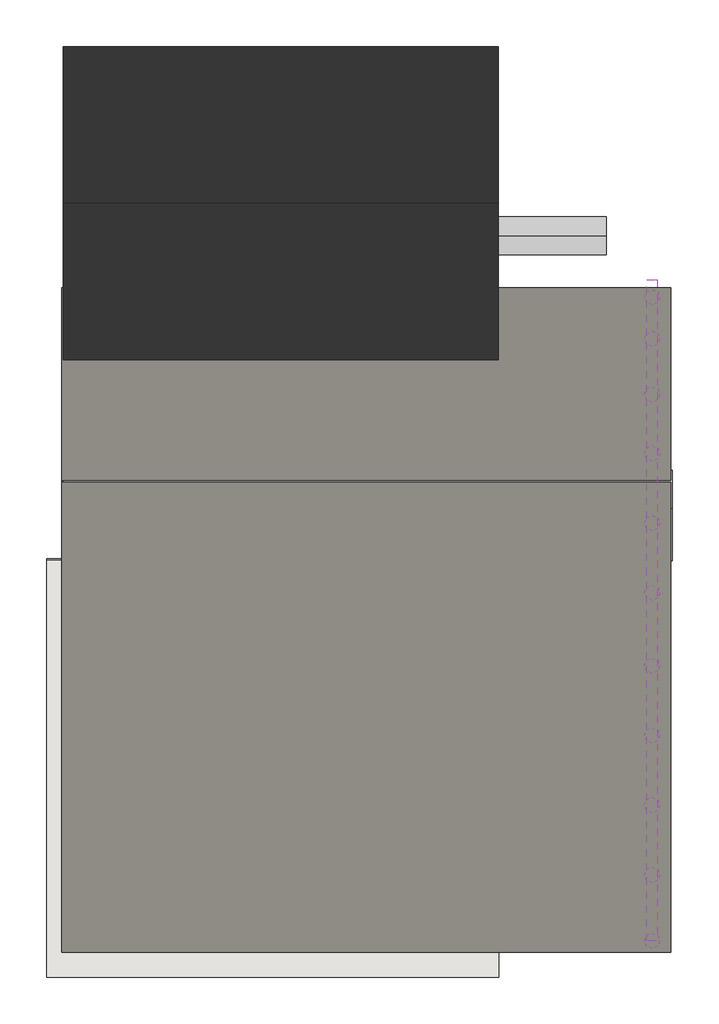
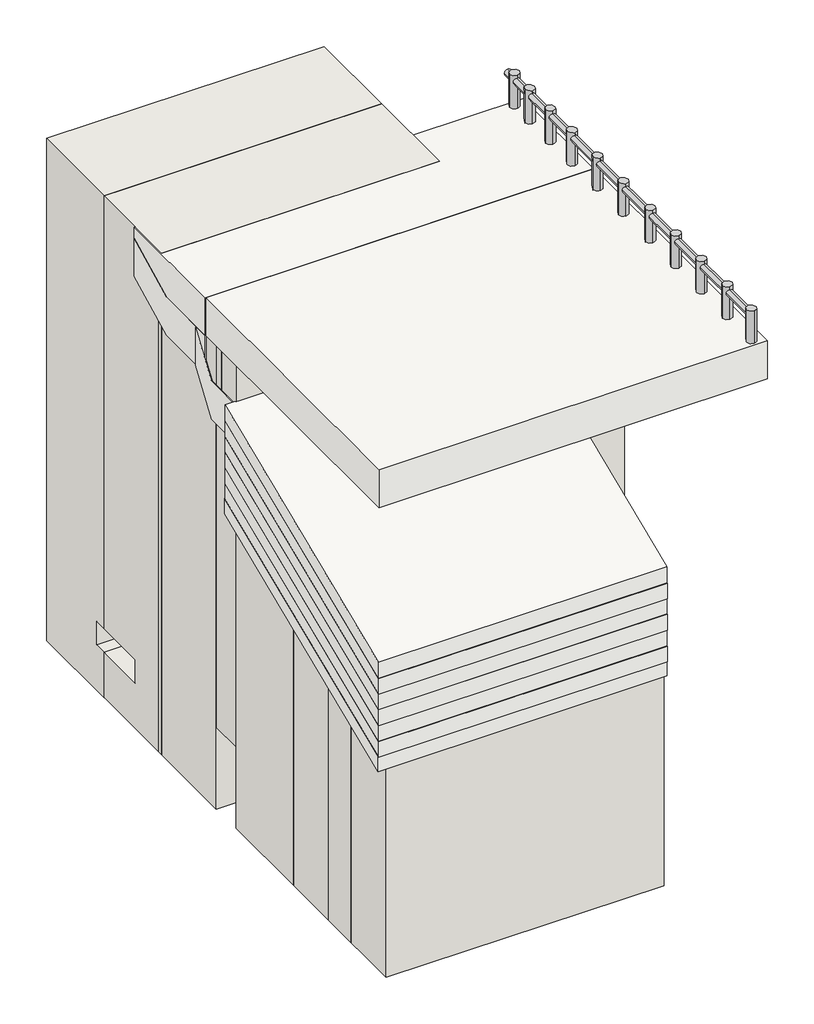
# One storey: 13 pipe segments, 11 slabs, 8 walls.
"""IFC4 building model written with IfcOpenShell, lengths in millimetres."""

from ifc_helpers import new_model, si_unit, point, frame, frame_2d, origin, place, context, project, spatial, polyline, circle_curve, trimmed, segment, composite_curve, outline, extrude, faceted_brep, element, save

model = new_model("IFC4")

# Units and contexts
model_context = context("Model", 3, world=origin())
ifc_project = project(units=[si_unit("LENGTHUNIT", "METRE", prefix="MILLI")], contexts=[model_context])

# Site, building, storey
site = spatial("IfcSite", under=ifc_project)
building = spatial("IfcBuilding", under=site)
storey = spatial("IfcBuildingStorey", under=building, Elevation=0.0)

# Pipe segments
placement = place(None, origin())
element("IfcPipeSegment", 1, at=placement, inside=storey, context=model_context, shape_type="SweptSolid", body=[
    extrude(outline(composite_curve([segment(trimmed(circle_curve(frame_2d((-19522.0548131, 2964.4536049)), 44.45), [point((-19566.5048131, 2964.4536049))], [point((-19522.0548131, 3008.9036049))], False, "CARTESIAN"), True, "CONTINUOUS"), segment(trimmed(circle_curve(frame_2d((-19522.0548131, 2964.4536049)), 44.45), [point((-19522.0548131, 3008.9036049))], [point((-19477.6048131, 2964.4536049))], False, "CARTESIAN"), True, "CONTINUOUS"), segment(trimmed(circle_curve(frame_2d((-19522.0548131, 2964.4536049)), 44.45), [point((-19477.6048131, 2964.4536049))], [point((-19522.0548131, 2920.0036049))], False, "CARTESIAN"), True, "CONTINUOUS"), segment(trimmed(circle_curve(frame_2d((-19522.0548131, 2964.4536049)), 44.45), [point((-19522.0548131, 2920.0036049))], [point((-19566.5048131, 2964.4536049))], False, "CARTESIAN"), True, "CONTINUOUS")], self_intersect=False)), frame((0.0, 0.0, 1296.4609408), z_axis=(0.0, 0.0, 1.0), x_axis=(1.0, 0.0, 0.0)), (0.0, 0.0, 1.0), 320.0),
])
element("IfcPipeSegment", 2, at=placement, inside=storey, context=model_context, shape_type="SweptSolid", body=[
    extrude(outline(composite_curve([segment(trimmed(circle_curve(frame_2d((-19522.0548131, 2725.2215916)), 44.45), [point((-19566.5048131, 2725.2215916))], [point((-19522.0548131, 2769.6715916))], False, "CARTESIAN"), True, "CONTINUOUS"), segment(trimmed(circle_curve(frame_2d((-19522.0548131, 2725.2215916)), 44.45), [point((-19522.0548131, 2769.6715916))], [point((-19477.6048131, 2725.2215916))], False, "CARTESIAN"), True, "CONTINUOUS"), segment(trimmed(circle_curve(frame_2d((-19522.0548131, 2725.2215916)), 44.45), [point((-19477.6048131, 2725.2215916))], [point((-19522.0548131, 2680.7715916))], False, "CARTESIAN"), True, "CONTINUOUS"), segment(trimmed(circle_curve(frame_2d((-19522.0548131, 2725.2215916)), 44.45), [point((-19522.0548131, 2680.7715916))], [point((-19566.5048131, 2725.2215916))], False, "CARTESIAN"), True, "CONTINUOUS")], self_intersect=False)), frame((0.0, 0.0, 1296.4609408), z_axis=(0.0, 0.0, 1.0), x_axis=(1.0, 0.0, 0.0)), (0.0, 0.0, 1.0), 320.0),
])
element("IfcPipeSegment", 3, at=placement, inside=storey, context=model_context, shape_type="SweptSolid", body=[
    extrude(outline(composite_curve([segment(trimmed(circle_curve(frame_2d((-19522.0548131, 2405.2215916)), 44.45), [point((-19566.5048131, 2405.2215916))], [point((-19522.0548131, 2449.6715916))], False, "CARTESIAN"), True, "CONTINUOUS"), segment(trimmed(circle_curve(frame_2d((-19522.0548131, 2405.2215916)), 44.45), [point((-19522.0548131, 2449.6715916))], [point((-19477.6048131, 2405.2215916))], False, "CARTESIAN"), True, "CONTINUOUS"), segment(trimmed(circle_curve(frame_2d((-19522.0548131, 2405.2215916)), 44.45), [point((-19477.6048131, 2405.2215916))], [point((-19522.0548131, 2360.7715916))], False, "CARTESIAN"), True, "CONTINUOUS"), segment(trimmed(circle_curve(frame_2d((-19522.0548131, 2405.2215916)), 44.45), [point((-19522.0548131, 2360.7715916))], [point((-19566.5048131, 2405.2215916))], False, "CARTESIAN"), True, "CONTINUOUS")], self_intersect=False)), frame((0.0, 0.0, 1296.4609408), z_axis=(0.0, 0.0, 1.0), x_axis=(1.0, 0.0, 0.0)), (0.0, 0.0, 1.0), 320.0),
])
element("IfcPipeSegment", 4, at=placement, inside=storey, context=model_context, shape_type="SweptSolid", body=[
    extrude(outline(composite_curve([segment(trimmed(circle_curve(frame_2d((-19522.0548131, 2065.2215916)), 44.45), [point((-19566.5048131, 2065.2215916))], [point((-19522.0548131, 2109.6715916))], False, "CARTESIAN"), True, "CONTINUOUS"), segment(trimmed(circle_curve(frame_2d((-19522.0548131, 2065.2215916)), 44.45), [point((-19522.0548131, 2109.6715916))], [point((-19477.6048131, 2065.2215916))], False, "CARTESIAN"), True, "CONTINUOUS"), segment(trimmed(circle_curve(frame_2d((-19522.0548131, 2065.2215916)), 44.45), [point((-19477.6048131, 2065.2215916))], [point((-19522.0548131, 2020.7715916))], False, "CARTESIAN"), True, "CONTINUOUS"), segment(trimmed(circle_curve(frame_2d((-19522.0548131, 2065.2215916)), 44.45), [point((-19522.0548131, 2020.7715916))], [point((-19566.5048131, 2065.2215916))], False, "CARTESIAN"), True, "CONTINUOUS")], self_intersect=False)), frame((0.0, 0.0, 1296.4609408), z_axis=(0.0, 0.0, 1.0), x_axis=(1.0, 0.0, 0.0)), (0.0, 0.0, 1.0), 320.0),
])
element("IfcPipeSegment", 5, at=placement, inside=storey, context=model_context, shape_type="SweptSolid", body=[
    extrude(outline(composite_curve([segment(trimmed(circle_curve(frame_2d((-19522.0548131, 1665.2215916)), 44.45), [point((-19566.5048131, 1665.2215916))], [point((-19522.0548131, 1709.6715916))], False, "CARTESIAN"), True, "CONTINUOUS"), segment(trimmed(circle_curve(frame_2d((-19522.0548131, 1665.2215916)), 44.45), [point((-19522.0548131, 1709.6715916))], [point((-19477.6048131, 1665.2215916))], False, "CARTESIAN"), True, "CONTINUOUS"), segment(trimmed(circle_curve(frame_2d((-19522.0548131, 1665.2215916)), 44.45), [point((-19477.6048131, 1665.2215916))], [point((-19522.0548131, 1620.7715916))], False, "CARTESIAN"), True, "CONTINUOUS"), segment(trimmed(circle_curve(frame_2d((-19522.0548131, 1665.2215916)), 44.45), [point((-19522.0548131, 1620.7715916))], [point((-19566.5048131, 1665.2215916))], False, "CARTESIAN"), True, "CONTINUOUS")], self_intersect=False)), frame((0.0, 0.0, 1296.4609408), z_axis=(0.0, 0.0, 1.0), x_axis=(1.0, 0.0, 0.0)), (0.0, 0.0, 1.0), 320.0),
])
element("IfcPipeSegment", 6, at=placement, inside=storey, context=model_context, shape_type="SweptSolid", body=[
    extrude(outline(composite_curve([segment(trimmed(circle_curve(frame_2d((-19522.0548131, 1265.2215916)), 44.45), [point((-19566.5048131, 1265.2215916))], [point((-19522.0548131, 1309.6715916))], False, "CARTESIAN"), True, "CONTINUOUS"), segment(trimmed(circle_curve(frame_2d((-19522.0548131, 1265.2215916)), 44.45), [point((-19522.0548131, 1309.6715916))], [point((-19477.6048131, 1265.2215916))], False, "CARTESIAN"), True, "CONTINUOUS"), segment(trimmed(circle_curve(frame_2d((-19522.0548131, 1265.2215916)), 44.45), [point((-19477.6048131, 1265.2215916))], [point((-19522.0548131, 1220.7715916))], False, "CARTESIAN"), True, "CONTINUOUS"), segment(trimmed(circle_curve(frame_2d((-19522.0548131, 1265.2215916)), 44.45), [point((-19522.0548131, 1220.7715916))], [point((-19566.5048131, 1265.2215916))], False, "CARTESIAN"), True, "CONTINUOUS")], self_intersect=False)), frame((0.0, 0.0, 1296.4609408), z_axis=(0.0, 0.0, 1.0), x_axis=(1.0, 0.0, 0.0)), (0.0, 0.0, 1.0), 320.0),
])
element("IfcPipeSegment", 7, at=placement, inside=storey, context=model_context, shape_type="SweptSolid", body=[
    extrude(outline(composite_curve([segment(trimmed(circle_curve(frame_2d((-19522.0548131, 845.2215916)), 44.45), [point((-19566.5048131, 845.2215916))], [point((-19522.0548131, 889.6715916))], False, "CARTESIAN"), True, "CONTINUOUS"), segment(trimmed(circle_curve(frame_2d((-19522.0548131, 845.2215916)), 44.45), [point((-19522.0548131, 889.6715916))], [point((-19477.6048131, 845.2215916))], False, "CARTESIAN"), True, "CONTINUOUS"), segment(trimmed(circle_curve(frame_2d((-19522.0548131, 845.2215916)), 44.45), [point((-19477.6048131, 845.2215916))], [point((-19522.0548131, 800.7715916))], False, "CARTESIAN"), True, "CONTINUOUS"), segment(trimmed(circle_curve(frame_2d((-19522.0548131, 845.2215916)), 44.45), [point((-19522.0548131, 800.7715916))], [point((-19566.5048131, 845.2215916))], False, "CARTESIAN"), True, "CONTINUOUS")], self_intersect=False)), frame((0.0, 0.0, 1296.4609408), z_axis=(0.0, 0.0, 1.0), x_axis=(1.0, 0.0, 0.0)), (0.0, 0.0, 1.0), 320.0),
])
element("IfcPipeSegment", 8, at=placement, inside=storey, context=model_context, shape_type="SweptSolid", body=[
    extrude(outline(composite_curve([segment(trimmed(circle_curve(frame_2d((-19522.0548131, 445.2215916)), 44.45), [point((-19566.5048131, 445.2215916))], [point((-19522.0548131, 489.6715916))], False, "CARTESIAN"), True, "CONTINUOUS"), segment(trimmed(circle_curve(frame_2d((-19522.0548131, 445.2215916)), 44.45), [point((-19522.0548131, 489.6715916))], [point((-19477.6048131, 445.2215916))], False, "CARTESIAN"), True, "CONTINUOUS"), segment(trimmed(circle_curve(frame_2d((-19522.0548131, 445.2215916)), 44.45), [point((-19477.6048131, 445.2215916))], [point((-19522.0548131, 400.7715916))], False, "CARTESIAN"), True, "CONTINUOUS"), segment(trimmed(circle_curve(frame_2d((-19522.0548131, 445.2215916)), 44.45), [point((-19522.0548131, 400.7715916))], [point((-19566.5048131, 445.2215916))], False, "CARTESIAN"), True, "CONTINUOUS")], self_intersect=False)), frame((0.0, 0.0, 1296.4609408), z_axis=(0.0, 0.0, 1.0), x_axis=(1.0, 0.0, 0.0)), (0.0, 0.0, 1.0), 320.0),
])
element("IfcPipeSegment", 9, at=placement, inside=storey, context=model_context, shape_type="SweptSolid", body=[
    extrude(outline(composite_curve([segment(trimmed(circle_curve(frame_2d((-19522.0548131, 45.2215916)), 44.45), [point((-19566.5048131, 45.2215916))], [point((-19522.0548131, 89.6715916))], False, "CARTESIAN"), True, "CONTINUOUS"), segment(trimmed(circle_curve(frame_2d((-19522.0548131, 45.2215916)), 44.45), [point((-19522.0548131, 89.6715916))], [point((-19477.6048131, 45.2215916))], False, "CARTESIAN"), True, "CONTINUOUS"), segment(trimmed(circle_curve(frame_2d((-19522.0548131, 45.2215916)), 44.45), [point((-19477.6048131, 45.2215916))], [point((-19522.0548131, 0.7715916))], False, "CARTESIAN"), True, "CONTINUOUS"), segment(trimmed(circle_curve(frame_2d((-19522.0548131, 45.2215916)), 44.45), [point((-19522.0548131, 0.7715916))], [point((-19566.5048131, 45.2215916))], False, "CARTESIAN"), True, "CONTINUOUS")], self_intersect=False)), frame((0.0, 0.0, 1296.4609408), z_axis=(0.0, 0.0, 1.0), x_axis=(1.0, 0.0, 0.0)), (0.0, 0.0, 1.0), 320.0),
])
element("IfcPipeSegment", 10, at=placement, inside=storey, context=model_context, shape_type="SweptSolid", body=[
    extrude(outline(composite_curve([segment(trimmed(circle_curve(frame_2d((-19522.0548131, -356.5137845)), 44.45), [point((-19566.5048131, -356.5137845))], [point((-19522.0548131, -312.0637845))], False, "CARTESIAN"), True, "CONTINUOUS"), segment(trimmed(circle_curve(frame_2d((-19522.0548131, -356.5137845)), 44.45), [point((-19522.0548131, -312.0637845))], [point((-19477.6048131, -356.5137845))], False, "CARTESIAN"), True, "CONTINUOUS"), segment(trimmed(circle_curve(frame_2d((-19522.0548131, -356.5137845)), 44.45), [point((-19477.6048131, -356.5137845))], [point((-19522.0548131, -400.9637845))], False, "CARTESIAN"), True, "CONTINUOUS"), segment(trimmed(circle_curve(frame_2d((-19522.0548131, -356.5137845)), 44.45), [point((-19522.0548131, -400.9637845))], [point((-19566.5048131, -356.5137845))], False, "CARTESIAN"), True, "CONTINUOUS")], self_intersect=False)), frame((0.0, 0.0, 1296.4609408), z_axis=(0.0, 0.0, 1.0), x_axis=(1.0, 0.0, 0.0)), (0.0, 0.0, 1.0), 320.0),
])
element("IfcPipeSegment", 11, at=placement, inside=storey, context=model_context, shape_type="SweptSolid", body=[
    extrude(outline(composite_curve([segment(trimmed(circle_curve(frame_2d((-19522.0548131, -734.7784084)), 44.45), [point((-19566.5048131, -734.7784084))], [point((-19522.0548131, -690.3284084))], False, "CARTESIAN"), True, "CONTINUOUS"), segment(trimmed(circle_curve(frame_2d((-19522.0548131, -734.7784084)), 44.45), [point((-19522.0548131, -690.3284084))], [point((-19477.6048131, -734.7784084))], False, "CARTESIAN"), True, "CONTINUOUS"), segment(trimmed(circle_curve(frame_2d((-19522.0548131, -734.7784084)), 44.45), [point((-19477.6048131, -734.7784084))], [point((-19522.0548131, -779.2284084))], False, "CARTESIAN"), True, "CONTINUOUS"), segment(trimmed(circle_curve(frame_2d((-19522.0548131, -734.7784084)), 44.45), [point((-19522.0548131, -779.2284084))], [point((-19566.5048131, -734.7784084))], False, "CARTESIAN"), True, "CONTINUOUS")], self_intersect=False)), frame((0.0, 0.0, 1296.4609408), z_axis=(0.0, 0.0, 1.0), x_axis=(1.0, 0.0, 0.0)), (0.0, 0.0, 1.0), 320.0),
])
element("IfcPipeSegment", 12, at=placement, inside=storey, context=model_context, shape_type="SweptSolid", body=[
    extrude(outline(composite_curve([segment(trimmed(circle_curve(frame_2d((1557.2752919, -19522.0548131)), 30.1625), [point((1557.2752919, -19491.8923131))], [point((1587.4377919, -19522.0548131))], False, "CARTESIAN"), True, "CONTINUOUS"), segment(trimmed(circle_curve(frame_2d((1557.2752919, -19522.0548131)), 30.1625), [point((1587.4377919, -19522.0548131))], [point((1557.2752919, -19552.2173131))], False, "CARTESIAN"), True, "CONTINUOUS"), segment(trimmed(circle_curve(frame_2d((1557.2752919, -19522.0548131)), 30.1625), [point((1557.2752919, -19552.2173131))], [point((1527.1127919, -19522.0548131))], False, "CARTESIAN"), True, "CONTINUOUS"), segment(trimmed(circle_curve(frame_2d((1557.2752919, -19522.0548131)), 30.1625), [point((1527.1127919, -19522.0548131))], [point((1557.2752919, -19491.8923131))], False, "CARTESIAN"), True, "CONTINUOUS")], self_intersect=False)), frame((0.0, -734.7784084, 0.0), z_axis=(0.0, 1.0, 0.0), x_axis=(0.0, 0.0, 1.0)), (0.0, 0.0, 1.0), 3800.0),
])
element("IfcPipeSegment", 13, at=placement, inside=storey, context=model_context, shape_type="SweptSolid", body=[
    extrude(outline(composite_curve([segment(trimmed(circle_curve(frame_2d((3317.5641368, -3153.9912654)), 109.5375), [point((3427.1016368, -3153.9912654))], [point((3317.5641368, -3263.5287654))], False, "CARTESIAN"), True, "CONTINUOUS"), segment(trimmed(circle_curve(frame_2d((3317.5641368, -3153.9912654)), 109.5375), [point((3317.5641368, -3263.5287654))], [point((3208.0266368, -3153.9912654))], False, "CARTESIAN"), True, "CONTINUOUS"), segment(trimmed(circle_curve(frame_2d((3317.5641368, -3153.9912654)), 109.5375), [point((3208.0266368, -3153.9912654))], [point((3317.5641368, -3044.4537654))], False, "CARTESIAN"), True, "CONTINUOUS"), segment(trimmed(circle_curve(frame_2d((3317.5641368, -3153.9912654)), 109.5375), [point((3317.5641368, -3044.4537654))], [point((3427.1016368, -3153.9912654))], False, "CARTESIAN"), True, "CONTINUOUS")], self_intersect=False)), frame((-20426.8527633, 0.0, 0.0), z_axis=(1.0, 0.0, 0.0), x_axis=(0.0, 1.0, 0.0)), (0.0, 0.0, 1.0), 640.0),
])

# Slabs
element("IfcSlab", 14, at=placement, inside=storey, context=model_context, shape_type="SweptSolid", body=[
    extrude(outline(polyline([(-22914.8994649, 1900.2215916), (-19414.8994649, 1900.2215916), (-19414.8994649, -799.7784084), (-22914.8994649, -799.7784084), (-22914.8994649, 1900.2215916)])), frame((0.0, 0.0, 944.5489614), z_axis=(0.0, 0.0, 1.0), x_axis=(1.0, 0.0, 0.0)), (0.0, 0.0, 1.0), 362.0),
])
element("IfcSlab", 15, at=placement, inside=storey, context=model_context, shape_type="SweptSolid", body=[
    extrude(outline(polyline([(1913.2483186, 574.9490921), (1913.2483186, 936.9490921), (2513.2483186, 936.9490921), (3017.4803319, 1195.9490921), (3017.4803319, 833.9490921), (2513.2483186, 574.9490921), (1913.2483186, 574.9490921)])), frame((-22914.8994649, 0.0, 0.0), z_axis=(1.0, 0.0, 0.0), x_axis=(0.0, 1.0, 0.0)), (0.0, 0.0, 1.0), 3500.0),
])
element("IfcSlab", 16, at=placement, inside=storey, context=model_context, shape_type="SweptSolid", body=[
    extrude(outline(polyline([(-22914.8994649, 3017.4803319), (-19414.8994649, 3017.4803319), (-19414.8994649, 1913.2483186), (-22914.8994649, 1913.2483186), (-22914.8994649, 3017.4803319)])), frame((0.0, 0.0, 936.9490921), z_axis=(0.0, 0.0, 1.0), x_axis=(1.0, 0.0, 0.0)), (0.0, 0.0, 1.0), 362.0),
])
element("IfcSlab", 17, at=placement, inside=storey, context=model_context, shape_type="SweptSolid", body=[
    extrude(outline(polyline([(1449.5237136, 202.5489614), (1449.5237136, 564.5489614), (1813.8877497, 564.0489614), (2063.8877497, 925.5489614), (2063.8877497, 563.5489614), (1813.8877497, 202.0489614), (1449.5237136, 202.5489614)])), frame((-22915.6136049, 0.0, 0.0), z_axis=(1.0, 0.0, 0.0), x_axis=(0.0, 1.0, 0.0)), (0.0, 0.0, 1.0), 3501.4282801),
])
element("IfcSlab", 18, at=placement, inside=storey, context=model_context, shape_type="Brep", body=[
    faceted_brep([(-23002.259365, 1453.7221832, 438.2592633), (-23002.259365, 1453.7221832, 588.2592633), (-22905.8903823, 1453.7221832, 588.2592633), (-20402.259365, 1453.7221832, 588.2592633), (-20402.259365, 1453.7221832, 438.2592633), (-22905.8903823, 1453.7221832, 438.2592633), (-20402.259365, 1448.5815945, 586.1148071), (-20402.259365, -943.4303885, -411.7407367), (-20402.259365, -943.4303885, -561.7407367), (-20402.259365, 1448.5815945, 436.1148071), (-23002.259365, -943.4303885, -411.7407367), (-23002.259365, -943.4303885, -561.7407367)], [[[0, 1, 2, 3, 4, 5]], [[4, 3, 6, 7, 8, 9]], [[8, 7, 10, 11]], [[11, 10, 1, 0]], [[10, 7, 6, 3, 2, 1]], [[11, 0, 5, 4, 9, 8]]]),
])
element("IfcSlab", 19, at=placement, inside=storey, context=model_context, shape_type="SweptSolid", body=[
    extrude(outline(polyline([(-945.0669137, -714.9155256), (-945.0669137, -564.9155256), (1452.085658, 435.0844744), (1452.085658, 285.0844744), (-945.0669137, -714.9155256)])), frame((-23002.259365, 0.0, 0.0), z_axis=(1.0, 0.0, 0.0), x_axis=(0.0, 1.0, 0.0)), (0.0, 0.0, 1.0), 2600.0),
])
element("IfcSlab", 20, at=placement, inside=storey, context=model_context, shape_type="SweptSolid", body=[
    extrude(outline(polyline([(-943.4303885, -859.3338606), (-943.4303885, -709.3338606), (1453.7221832, 290.6661394), (1453.7221832, 140.6661394), (-943.4303885, -859.3338606)])), frame((-23002.259365, 0.0, 0.0), z_axis=(1.0, 0.0, 0.0), x_axis=(0.0, 1.0, 0.0)), (0.0, 0.0, 1.0), 2600.0),
])
element("IfcSlab", 21, at=placement, inside=storey, context=model_context, shape_type="SweptSolid", body=[
    extrude(outline(polyline([(-945.0669137, -1012.5086494), (-945.0669137, -862.5086494), (1452.085658, 137.4913506), (1452.085658, -12.5086494), (-945.0669137, -1012.5086494)])), frame((-23002.259365, 0.0, 0.0), z_axis=(1.0, 0.0, 0.0), x_axis=(0.0, 1.0, 0.0)), (0.0, 0.0, 1.0), 2600.0),
])
element("IfcSlab", 22, at=placement, inside=storey, context=model_context, shape_type="SweptSolid", body=[
    extrude(outline(polyline([(-943.4303885, -1161.7407367), (-943.4303885, -1011.7407367), (1453.7221832, -11.7407367), (1453.7221832, -161.7407367), (-943.4303885, -1161.7407367)])), frame((-23002.259365, 0.0, 0.0), z_axis=(1.0, 0.0, 0.0), x_axis=(0.0, 1.0, 0.0)), (0.0, 0.0, 1.0), 2600.0),
])
element("IfcSlab", 23, at=placement, inside=storey, context=model_context, shape_type="SweptSolid", body=[
    extrude(outline(polyline([(-945.0669137, -1314.9155256), (-945.0669137, -1164.9155256), (1452.085658, -164.9155256), (1452.085658, -314.9155256), (-945.0669137, -1314.9155256)])), frame((-23002.259365, 0.0, 0.0), z_axis=(1.0, 0.0, 0.0), x_axis=(0.0, 1.0, 0.0)), (0.0, 0.0, 1.0), 2600.0),
])
element("IfcSlab", 24, at=placement, inside=storey, context=model_context, shape_type="SweptSolid", body=[
    extrude(outline(polyline([(-936.1948115, -1453.9289023), (-936.1948115, -1303.9289023), (1460.9577602, -303.9289023), (1460.9577602, -453.9289023), (-936.1948115, -1453.9289023)])), frame((-23002.259365, 0.0, 0.0), z_axis=(1.0, 0.0, 0.0), x_axis=(0.0, 1.0, 0.0)), (0.0, 0.0, 1.0), 2600.0),
])

# Walls
element("IfcWall", 25, at=placement, inside=storey, context=model_context, shape_type="Brep", body=[
    faceted_brep([(-19405.8903823, 1748.5815945, -2700.0), (-22905.8903823, 1748.5815945, -2700.0), (-22905.8903823, 1748.5815945, 944.5489614), (-19405.8903823, 1748.5815945, 944.5489614), (-22905.8903823, 1448.5815945, -2700.0), (-19405.8903823, 1448.5815945, -2700.0), (-19405.8903823, 1448.5815945, 944.5489614), (-22905.8903823, 1448.5815945, 944.5489614), (-22905.8903823, 1448.5815945, 586.1148071), (-20402.259365, 1448.5815945, 586.1148071), (-20402.259365, 1448.5815945, 436.1148071), (-22905.8903823, 1448.5815945, 436.1148071), (-22905.8903823, 1453.7221832, 438.2592633), (-22905.8903823, 1453.7221832, 588.2592633), (-20402.259365, 1453.7221832, 438.2592633), (-20402.259365, 1453.7221832, 588.2592633)], [[[0, 1, 2, 3]], [[4, 5, 6, 7, 8, 9, 10, 11]], [[1, 0, 5, 4]], [[2, 1, 4, 11, 12, 13, 8, 7]], [[3, 2, 7, 6]], [[0, 3, 6, 5]], [[14, 15, 13, 12]], [[15, 14, 10, 9]], [[13, 15, 9, 8]], [[10, 14, 12, 11]]]),
])
element("IfcWall", 26, at=placement, inside=storey, context=model_context, shape_type="SweptSolid", body=[
    extrude(outline(polyline([(-22905.8903823, 1968.119763), (-19405.8903823, 1968.119763), (-19405.8903823, 1668.119763), (-22905.8903823, 1668.119763), (-22905.8903823, 1968.119763)])), frame((0.0, 0.0, 530.2428777), z_axis=(0.0, 0.0, 1.0), x_axis=(1.0, 0.0, 0.0)), (0.0, 0.0, 1.0), 414.3060837),
])
element("IfcWall", 27, at=placement, inside=storey, context=model_context, shape_type="SweptSolid", body=[
    extrude(outline(polyline([(-22905.8903823, 1448.5815945), (-20405.8903823, 1448.5815945), (-20405.8903823, 548.5815945), (-22905.8903823, 548.5815945), (-22905.8903823, 1448.5815945)])), frame((0.0, 0.0, -3472.9433199), z_axis=(0.0, 0.0, 1.0), x_axis=(1.0, 0.0, 0.0)), (0.0, 0.0, 1.0), 3172.9433199),
])
element("IfcWall", 28, at=placement, inside=storey, context=model_context, shape_type="SweptSolid", body=[
    extrude(outline(polyline([(-22905.8903823, 548.5815945), (-20405.8903823, 548.5815945), (-20405.8903823, -351.4184055), (-22905.8903823, -351.4184055), (-22905.8903823, 548.5815945)])), frame((0.0, 0.0, -3472.9433199), z_axis=(0.0, 0.0, 1.0), x_axis=(1.0, 0.0, 0.0)), (0.0, 0.0, 1.0), 2792.9433199),
])
element("IfcWall", 29, at=placement, inside=storey, context=model_context, shape_type="SweptSolid", body=[
    extrude(outline(polyline([(-22905.8903823, 4.4536049), (-20405.8903823, 4.4536049), (-20405.8903823, -895.5463951), (-22905.8903823, -895.5463951), (-22905.8903823, 4.4536049)])), frame((0.0, 0.0, -3472.9433199), z_axis=(0.0, 0.0, 1.0), x_axis=(1.0, 0.0, 0.0)), (0.0, 0.0, 1.0), 2372.9433199),
])
element("IfcWall", 30, at=placement, inside=storey, context=model_context, shape_type="SweptSolid", body=[
    extrude(outline(polyline([(-22905.8903823, 2657.5641368), (-20405.8903823, 2657.5641368), (-20405.8903823, 1757.5641368), (-22905.8903823, 1757.5641368), (-22905.8903823, 2657.5641368)])), frame((0.0, 0.0, -3480.0), z_axis=(0.0, 0.0, 1.0), x_axis=(1.0, 0.0, 0.0)), (0.0, 0.0, 1.0), 4416.9490921),
])
element("IfcWall", 31, at=placement, inside=storey, context=model_context, shape_type="SweptSolid", body=[
    extrude(outline(polyline([(2604.4536049, -3472.9433199), (2604.4536049, 1298.9490921), (3504.4536049, 1298.9490921), (3504.4536049, -2820.0), (3018.5140022, -2820.0), (3018.5140022, -3045.0), (3504.4536049, -3045.0), (3504.4536049, -3472.9433199), (2604.4536049, -3472.9433199)])), frame((-22905.8903823, 0.0, 0.0), z_axis=(1.0, 0.0, 0.0), x_axis=(0.0, 1.0, 0.0)), (0.0, 0.0, 1.0), 2500.0),
])
element("IfcWall", 32, at=placement, inside=storey, context=model_context, shape_type="SweptSolid", body=[
    extrude(outline(polyline([(3504.4536049, 1300.0), (4404.4536049, 1300.0), (4404.4536049, -3480.0), (3504.4536049, -3480.0), (3504.4536049, -3045.0), (3618.5140022, -3045.0), (3618.5140022, -2820.0), (3504.4536049, -2820.0), (3504.4536049, 1300.0)])), frame((-22905.8903823, 0.0, 0.0), z_axis=(1.0, 0.0, 0.0), x_axis=(0.0, 1.0, 0.0)), (0.0, 0.0, 1.0), 2500.0),
])

save(model, "model.ifc")
